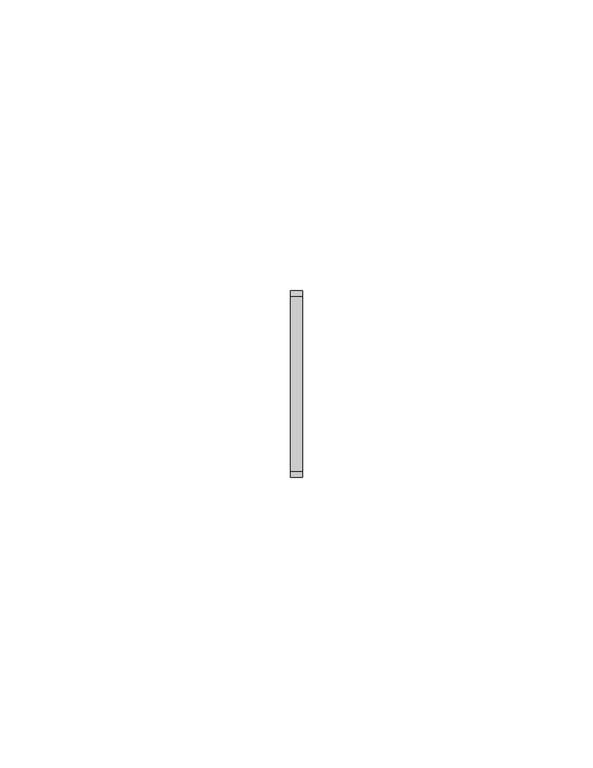
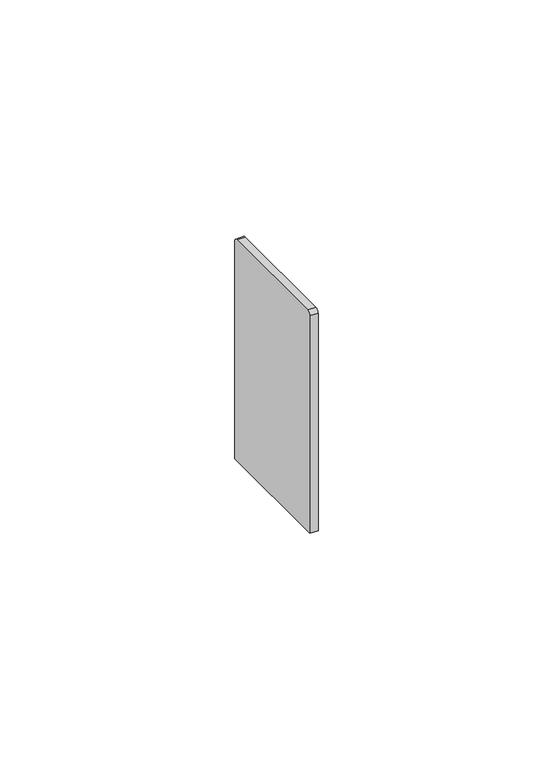
"""IFC4 building model written with IfcOpenShell, lengths in millimetres: proxy geometry."""

import ifcopenshell
import ifcopenshell.guid

model = None  # the IFC model being written
_history = None  # IfcOwnerHistory: only IFC2X3 demands one
_inside = {}  # id of a spatial element -> (the spatial element, [elements in it])
_under = {}  # id of a project, library or spatial element -> (it, [spatial elements below it])
_declared = {}  # id of a project -> (the project, [libraries it declares])
_typed = {}  # id of a type object -> (the type object, [elements of that type])
_made_of = {}  # id of a material, layer set ... -> (it, [elements and type objects made of it])


def new_model(schema):
    """Start an empty IFC model of exactly this schema.

    Asked for "IFC4X3", IfcOpenShell would pick the latest addendum, in which some entities
    have other attributes; the version numbers below select the first issue.
    IFC2X3 requires an IfcOwnerHistory on every rooted entity: one is made here for all.
    """
    global model, _history
    if schema == "IFC4X3":
        model = ifcopenshell.file(schema_version=(4, 3, 0, 0))
    else:
        model = ifcopenshell.file(schema=schema)
    _inside.clear()
    _under.clear()
    _declared.clear()
    _typed.clear()
    _made_of.clear()
    _history = None
    if model.schema == "IFC2X3":
        org = make("IfcOrganization", Name="unknown")
        user = make(
            "IfcPersonAndOrganization",
            ThePerson=make("IfcPerson", FamilyName="unknown"),
            TheOrganization=org,
        )
        app = make(
            "IfcApplication",
            ApplicationDeveloper=org,
            Version="unknown",
            ApplicationFullName="unknown",
            ApplicationIdentifier="unknown",
        )
        _history = make(
            "IfcOwnerHistory",
            OwningUser=user,
            OwningApplication=app,
            ChangeAction="ADDED",
            CreationDate=0,
        )
    return model


def make(cls, **values):
    """One entity of the class cls with the attributes given. An attribute that is None is left unset."""
    return model.create_entity(
        cls, **{name: value for name, value in values.items() if value is not None}
    )


def rooted(cls, **values):
    """An entity with a GlobalId (a new one), such as an element, a storey or a relation."""
    return make(cls, GlobalId=ifcopenshell.guid.new(), OwnerHistory=_history, **values)


def si_unit(unit_type, name, prefix=None):
    """IfcSIUnit, for example si_unit("LENGTHUNIT", "METRE", prefix="MILLI")."""
    return make("IfcSIUnit", UnitType=unit_type, Prefix=prefix, Name=name)


def assignment(units):
    """IfcUnitAssignment: the units of a project."""
    return None if units is None else make("IfcUnitAssignment", Units=units)


def point(xyz):
    """IfcCartesianPoint."""
    return None if xyz is None else make("IfcCartesianPoint", Coordinates=xyz)


def direction(xyz):
    """IfcDirection."""
    return None if xyz is None else make("IfcDirection", DirectionRatios=xyz)


def frame(location, z_axis=None, x_axis=None):
    """IfcAxis2Placement3D, a coordinate frame: its origin and axes. An axis left out is left unset."""
    return make(
        "IfcAxis2Placement3D",
        Location=point(location),
        Axis=direction(z_axis),
        RefDirection=direction(x_axis),
    )


def frame_2d(location, x_axis=None):
    """IfcAxis2Placement2D, a coordinate frame in the plane: its origin and x axis."""
    return make(
        "IfcAxis2Placement2D", Location=point(location), RefDirection=direction(x_axis)
    )


def origin():
    """The frame at (0, 0, 0) with its axes left unset."""
    return frame((0.0, 0.0, 0.0))


def place(relative_to, where):
    """IfcLocalPlacement: puts the frame where relative to a parent placement (None: the world)."""
    return make(
        "IfcLocalPlacement", PlacementRelTo=relative_to, RelativePlacement=where
    )


def context(
    kind, dimensions, precision=None, world=None, true_north=None, identifier=None
):
    """IfcGeometricRepresentationContext, for example the 3D "Model" context."""
    return make(
        "IfcGeometricRepresentationContext",
        ContextIdentifier=identifier,
        ContextType=kind,
        CoordinateSpaceDimension=dimensions,
        Precision=precision,
        WorldCoordinateSystem=world,
        TrueNorth=true_north,
    )


def project(units=None, contexts=None):
    """IfcProject with its units and contexts."""
    return rooted(
        "IfcProject",
        Name="project",
        RepresentationContexts=contexts,
        UnitsInContext=assignment(units),
    )


def spatial(cls, under=None, at=None, **own):
    """A site, building, storey or space (cls), placed at a placement, below another one or the project."""
    s = rooted(cls, ObjectPlacement=at, **own)
    if under is not None:
        _under.setdefault(under.id(), (under, []))[1].append(s)
    return s


def polyline(points):
    """IfcPolyline through the points."""
    return make("IfcPolyline", Points=[point(p) for p in points])


def circle_curve(where, radius):
    """IfcCircle in the frame where."""
    return make("IfcCircle", Position=where, Radius=radius)


def trimmed(basis, trim1, trim2, sense, master):
    """IfcTrimmedCurve: the piece of a basis curve between two trims."""
    return make(
        "IfcTrimmedCurve",
        BasisCurve=basis,
        Trim1=trim1,
        Trim2=trim2,
        SenseAgreement=sense,
        MasterRepresentation=master,
    )


def segment(curve, same_sense, transition):
    """IfcCompositeCurveSegment."""
    return make(
        "IfcCompositeCurveSegment",
        Transition=transition,
        SameSense=same_sense,
        ParentCurve=curve,
    )


def composite_curve(segments, self_intersect=None):
    """IfcCompositeCurve: segments joined end to end."""
    return make("IfcCompositeCurve", Segments=segments, SelfIntersect=self_intersect)


def outline(outer, holes=None, kind="AREA"):
    """IfcArbitraryClosedProfileDef: a profile drawn as a closed curve; with holes, ...WithVoids."""
    if holes is None:
        return make("IfcArbitraryClosedProfileDef", ProfileType=kind, OuterCurve=outer)
    return make(
        "IfcArbitraryProfileDefWithVoids",
        ProfileType=kind,
        OuterCurve=outer,
        InnerCurves=holes,
    )


def extrude(swept, where, along, depth):
    """IfcExtrudedAreaSolid: the profile swept, set in the frame where, extruded along a direction by depth."""
    return make(
        "IfcExtrudedAreaSolid",
        SweptArea=swept,
        Position=where,
        ExtrudedDirection=direction(along),
        Depth=depth,
    )


def shape(context_of_items, identifier, shape_type, items):
    """IfcShapeRepresentation: the items that make up one representation, for example the "Body"."""
    return make(
        "IfcShapeRepresentation",
        ContextOfItems=context_of_items,
        RepresentationIdentifier=identifier,
        RepresentationType=shape_type,
        Items=items,
    )


def source(mapping_origin, context_of_items, identifier, shape_type, items):
    """IfcRepresentationMap: a shape defined once, which mapped items show again and again."""
    return make(
        "IfcRepresentationMap",
        MappingOrigin=mapping_origin,
        MappedRepresentation=shape(context_of_items, identifier, shape_type, items),
    )


def transform(
    local_origin,
    x_axis=None,
    y_axis=None,
    z_axis=None,
    scale=None,
    scale2=None,
    scale3=None,
    uniform=True,
):
    """IfcCartesianTransformationOperator3D, or its non-uniform kind. x_axis, y_axis, z_axis: its Axis1, 2, 3."""
    if uniform:
        return make(
            "IfcCartesianTransformationOperator3D",
            Axis1=direction(x_axis),
            Axis2=direction(y_axis),
            LocalOrigin=point(local_origin),
            Scale=scale,
            Axis3=direction(z_axis),
        )
    return make(
        "IfcCartesianTransformationOperator3DnonUniform",
        Axis1=direction(x_axis),
        Axis2=direction(y_axis),
        LocalOrigin=point(local_origin),
        Scale=scale,
        Axis3=direction(z_axis),
        Scale2=scale2,
        Scale3=scale3,
    )


def mapped(mapping_source, mapping_target):
    """IfcMappedItem: shows the shape of a source again, moved by a transform."""
    return make(
        "IfcMappedItem", MappingSource=mapping_source, MappingTarget=mapping_target
    )


def made_of(thing, what):
    """Note that an element or type object is made of a material, layer set ...; save() writes the relation."""
    if what is not None:
        _made_of.setdefault(what.id(), (what, []))[1].append(thing)
    return thing


def element(
    cls,
    number,
    at=None,
    inside=None,
    cuts=None,
    type_object=None,
    material=None,
    context=None,
    identifier="Body",
    shape_type=None,
    held_by="IfcProductDefinitionShape",
    body=None,
    shapes=None,
    **own,
):
    """One element of the class cls, such as IfcWall. Its Tag is "e" and its number.

    at: its placement. inside: the storey or other place that contains it. cuts: it is an
    opening in that element (IfcRelVoidsElement). A single representation is given by context,
    identifier, shape_type and body (its items); several are given by shapes. held_by: the class
    of the entity that holds the representations. save() writes the other relations.
    """
    e = rooted(cls, Tag="e%d" % number, ObjectPlacement=at, **own)
    if body is not None:
        shapes = [shape(context, identifier, shape_type, body)]
    if shapes is not None:
        e.Representation = make(held_by, Representations=shapes)
    if inside is not None:
        _inside.setdefault(inside.id(), (inside, []))[1].append(e)
    if cuts is not None:
        rooted(
            "IfcRelVoidsElement", RelatingBuildingElement=cuts, RelatedOpeningElement=e
        )
    if type_object is not None:
        _typed.setdefault(type_object.id(), (type_object, []))[1].append(e)
    return made_of(e, material)


def aggregate(whole, parts):
    """IfcRelAggregates: a whole, such as a stair, and the parts it consists of."""
    return rooted("IfcRelAggregates", RelatingObject=whole, RelatedObjects=parts)


def save(model, path):
    """Write the relations noted so far, then the file.

    IfcRelAggregates (storeys below a building ...), IfcRelContainedInSpatialStructure (elements
    in a storey), IfcRelDefinesByType, IfcRelAssociatesMaterial and IfcRelDeclares: one each for
    every whole, place, type object, material and project.
    """
    for whole, parts in _under.values():
        aggregate(whole, parts)
    for where, things in _inside.values():
        rooted(
            "IfcRelContainedInSpatialStructure",
            RelatedElements=things,
            RelatingStructure=where,
        )
    for kind, things in _typed.values():
        rooted("IfcRelDefinesByType", RelatedObjects=things, RelatingType=kind)
    for what, things in _made_of.values():
        rooted("IfcRelAssociatesMaterial", RelatedObjects=things, RelatingMaterial=what)
    for by, libraries in _declared.values():
        rooted("IfcRelDeclares", RelatingContext=by, RelatedDefinitions=libraries)
    model.write(path)


def generic_models_c48143f3(model_context):
    return source(origin(), model_context, "Body", "SweptSolid", [
        extrude(outline(composite_curve([segment(polyline([(16.0, 0.0), (-16.0, 0.0), (-16.0, 56.5)]), True, "CONTINUOUS"), segment(trimmed(circle_curve(frame_2d((-15.0, 56.5)), 1.0), [point((-16.0, 56.5))], [point((-15.0, 57.5))], False, "CARTESIAN"), True, "CONTINUOUS"), segment(polyline([(-15.0, 57.5), (15.0, 57.5)]), True, "CONTINUOUS"), segment(trimmed(circle_curve(frame_2d((15.0, 56.5)), 1.0), [point((15.0, 57.5))], [point((16.0, 56.5))], False, "CARTESIAN"), True, "CONTINUOUS"), segment(polyline([(16.0, 56.5), (16.0, 0.0)]), True, "CONTINUOUS")], self_intersect=False)), frame((0.0, 0.0, 0.0), z_axis=(1.0, 0.0, 0.0), x_axis=(0.0, 1.0, 0.0)), (0.0, 0.0, 1.0), 2.0),
    ])


if __name__ == "__main__":
    model = new_model("IFC4")
    model_context = context("Model", 3, world=origin())
    ifc_project = project(units=[si_unit("LENGTHUNIT", "METRE", prefix="MILLI")], contexts=[model_context])
    site = spatial("IfcSite", under=ifc_project)
    building = spatial("IfcBuilding", under=site)
    placement = place(None, origin())
    generic_models_shape = generic_models_c48143f3(model_context)
    element("IfcBuildingElementProxy", 1, Name="Generic Models", at=placement, inside=building, context=model_context, shape_type="MappedRepresentation", body=[
        mapped(generic_models_shape, transform((0.0, 0.0, 0.0), x_axis=(1.0, 0.0, 0.0), y_axis=(0.0, 1.0, 0.0), z_axis=(0.0, 0.0, 1.0))),
    ])
    save(model, "model.ifc")
